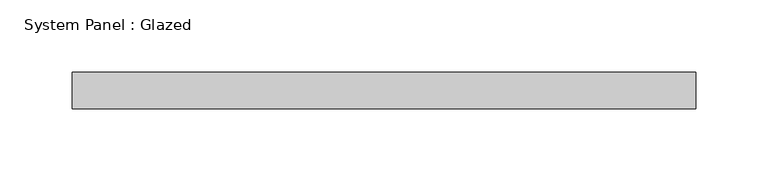
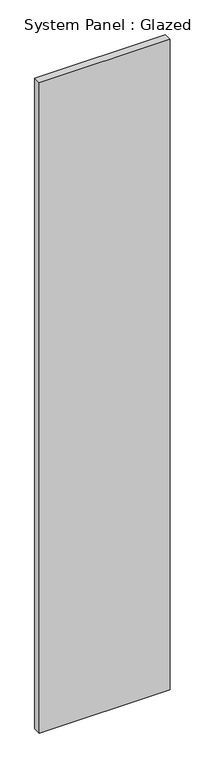
"""IFC4 building model written with IfcOpenShell, lengths in millimetres: plate geometry, System Panel : Glazed."""

from ifc_helpers import new_model, si_unit, origin, origin_with_axes, place, context, project, spatial, polyline, outline, extrude, source, transform, mapped, element, save


def system_panel_glazed_3d618c70(model_context):
    return source(origin(), model_context, "Body", "SweptSolid", [
        extrude(outline(polyline([(215.8999998, 19.05), (-215.8999998, 19.05), (-215.8999998, 44.45), (215.8999998, 44.45), (215.8999998, 19.05)])), origin_with_axes(), (0.0, 0.0, 1.0), 2270.125),
    ])


if __name__ == "__main__":
    model = new_model("IFC4")
    model_context = context("Model", 3, world=origin())
    ifc_project = project(units=[si_unit("LENGTHUNIT", "METRE", prefix="MILLI")], contexts=[model_context])
    site = spatial("IfcSite", under=ifc_project)
    building = spatial("IfcBuilding", under=site)
    placement = place(None, origin())
    system_panel_glazed_shape = system_panel_glazed_3d618c70(model_context)
    element("IfcPlate", 1, ObjectType="System Panel : Glazed", at=placement, inside=building, context=model_context, shape_type="MappedRepresentation", body=[
        mapped(system_panel_glazed_shape, transform((0.0, 0.0, 0.0), x_axis=(1.0, 0.0, 0.0), y_axis=(0.0, 1.0, 0.0), z_axis=(0.0, 0.0, 1.0))),
    ])
    save(model, "model.ifc")
